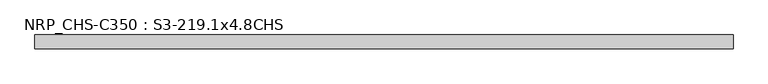
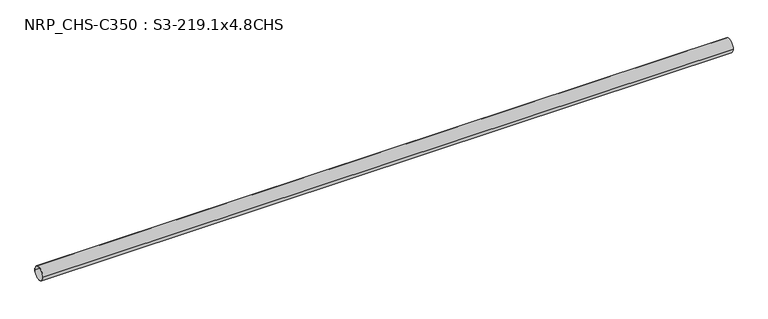
"""IFC4 building model written with IfcOpenShell, lengths in millimetres: beam geometry, NRP_CHS-C350 : S3-219.1x4.8CHS."""

from ifc_helpers import new_model, si_unit, point, frame, origin, origin_2d, place, context, project, spatial, circle_curve, trimmed, segment, composite_curve, outline, extrude, source, transform, mapped, element, save


def nrp_chs_c350_s3_219_1x4_8chs_cfae67f7(model_context):
    return source(origin(), model_context, "Body", "SweptSolid", [
        extrude(outline(composite_curve([segment(trimmed(circle_curve(origin_2d(), 109.55), [point((-109.55, 0.0))], [point((109.55, 0.0))], False, "CARTESIAN"), True, "CONTINUOUS"), segment(trimmed(circle_curve(origin_2d(), 109.55), [point((109.55, 0.0))], [point((-109.55, 0.0))], False, "CARTESIAN"), True, "CONTINUOUS")], self_intersect=False), holes=[composite_curve([segment(trimmed(circle_curve(origin_2d(), 104.75), [point((104.75, 0.0))], [point((-104.75, 0.0))], True, "CARTESIAN"), True, "CONTINUOUS"), segment(trimmed(circle_curve(origin_2d(), 104.75), [point((-104.75, 0.0))], [point((104.75, 0.0))], True, "CARTESIAN"), True, "CONTINUOUS")], self_intersect=False)]), frame((-5460.8, 0.0, 0.0), z_axis=(1.0, 0.0, 0.0), x_axis=(0.0, 1.0, 0.0)), (0.0, 0.0, 1.0), 11098.0),
    ])


if __name__ == "__main__":
    model = new_model("IFC4")
    model_context = context("Model", 3, world=origin())
    ifc_project = project(units=[si_unit("LENGTHUNIT", "METRE", prefix="MILLI")], contexts=[model_context])
    site = spatial("IfcSite", under=ifc_project)
    building = spatial("IfcBuilding", under=site)
    placement = place(None, origin())
    nrp_chs_c350_s3_219_1x4_8chs_shape = nrp_chs_c350_s3_219_1x4_8chs_cfae67f7(model_context)
    element("IfcBeam", 1, ObjectType="NRP_CHS-C350 : S3-219.1x4.8CHS", at=placement, inside=building, context=model_context, shape_type="MappedRepresentation", body=[
        mapped(nrp_chs_c350_s3_219_1x4_8chs_shape, transform((0.0, 0.0, 0.0), x_axis=(1.0, 0.0, 0.0), y_axis=(0.0, 1.0, 0.0), z_axis=(0.0, 0.0, 1.0))),
    ])
    save(model, "model.ifc")
